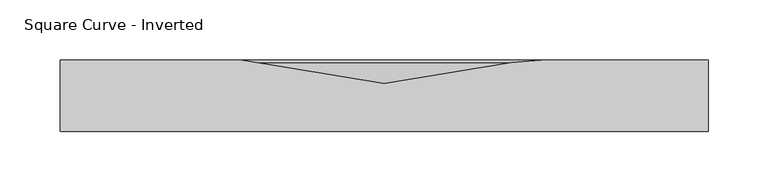
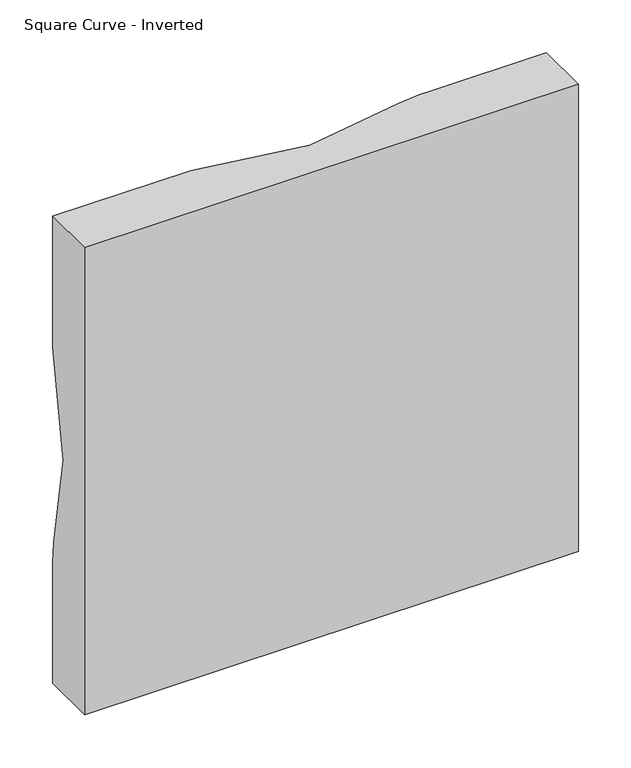
"""IFC4 building model written with IfcOpenShell, lengths in millimetres: furniture geometry, Square Curve - Inverted."""

from ifc_helpers import new_model, si_unit, point, frame, origin, place, context, project, spatial, polyline, circle_curve, ellipse_curve, trimmed, source, transform, mapped, element, save
from ifc_brep_helpers import plane_surface, cylinder_surface, revolved_surface, advanced_brep


def square_curve_inverted_e3bcd44c(model_context):
    return source(origin(), model_context, "Body", "AdvancedBrep", [
        advanced_brep(
        [(-270.0, 60.0, 1500.0), (-270.0, 60.0, 1625.0), (-270.0, 60.0, 1638.9124051), (-225.0, 60.0, 1638.9124051), (131.0875949, 60.0, 1995.0), (131.0875949, 60.0, 2040.0), (145.0, 60.0, 2040.0), (270.0, 60.0, 2040.0), (270.0, 60.0, 1500.0), (-118.5203808, 60.0, 2040.0), (-118.5203808, 60.0, 1995.0), (-225.0, 60.0, 1888.5203808), (-270.0, 60.0, 1888.5203808), (-270.0, 60.0, 2040.0), (270.0, 0.0, 2040.0), (-270.0, 0.0, 2040.0), (-270.0, 0.0, 1500.0), (270.0, 0.0, 1500.0), (106.1283636, 57.90888, 2040.0), (0.0, 40.0, 2040.0), (-270.0, 40.0, 1770.0), (-270.0, 57.90888, 1663.8716364), (106.1283636, 57.90888, 1995.0), (0.0, 40.0, 1995.0), (-225.0, 57.90888, 1663.8716364), (-225.0, 40.0, 1770.0)],
        [
            (0, 1),
            (1, 2),
            (2, 3),
            (3, 4, circle_curve(frame((-225.0, 60.0, 1995.0), z_axis=(0.0, -1.0, 0.0), x_axis=(1.0, 0.0, 0.0)), 356.0875949)),
            (4, 5),
            (5, 6),
            (6, 7),
            (7, 8),
            (8, 0),
            (9, 10),
            (10, 11, circle_curve(frame((-225.0, 60.0, 1995.0), z_axis=(0.0, 1.0, 0.0), x_axis=(1.0, 0.0, 0.0)), 106.4796192)),
            (11, 12),
            (12, 13),
            (13, 9),
            (14, 15),
            (15, 16),
            (16, 17),
            (17, 14),
            (14, 7),
            (5, 18, circle_curve(frame((131.0875949, -90.0, 2040.0), z_axis=(0.0, 0.0, 1.0), x_axis=(0.0, 1.0, 0.0)), 150.0)),
            (18, 19),
            (19, 9),
            (13, 15),
            (12, 20),
            (20, 21),
            (21, 2, circle_curve(frame((-270.0, -90.0, 1638.9124051), z_axis=(-1.0, 0.0, 0.0), x_axis=(0.0, 1.0, 0.0)), 150.0)),
            (0, 16),
            (8, 17),
            (18, 22),
            (22, 23),
            (23, 19),
            (23, 10),
            (22, 24, circle_curve(frame((-225.0, 57.90888, 1995.0), z_axis=(0.0, 1.0, 0.0), x_axis=(1.0, 0.0, 0.0)), 331.1283636)),
            (24, 25),
            (25, 23, circle_curve(frame((-225.0, 40.0, 1995.0), z_axis=(0.0, -1.0, 0.0), x_axis=(1.0, 0.0, 0.0)), 225.0)),
            (25, 11),
            (24, 21),
            (20, 25),
            (4, 22, circle_curve(frame((131.0875949, -90.0, 1995.0), z_axis=(0.0, 0.0, 1.0), x_axis=(0.0, 1.0, 0.0)), 150.0)),
            (3, 24, circle_curve(frame((-225.0, -90.0, 1638.9124051), z_axis=(1.0, 0.0, 0.0), x_axis=(0.0, 1.0, 0.0)), 150.0)),
        ],
        [
            plane_surface(frame((-270.0, 60.0, 2040.0), z_axis=(0.0, 1.0, 0.0), x_axis=(-1.0, 0.0, 0.0))),
            plane_surface(frame((-270.0, 0.0, 2040.0), z_axis=(0.0, -1.0, 0.0), x_axis=(1.0, 0.0, 0.0))),
            plane_surface(frame((270.0, 60.0, 2040.0), z_axis=(0.0, 0.0, 1.0), x_axis=(0.0, -1.0, 0.0))),
            plane_surface(frame((-270.0, 60.0, 2040.0), z_axis=(-1.0, 0.0, 0.0), x_axis=(0.0, -1.0, 0.0))),
            plane_surface(frame((-270.0, 60.0, 1500.0), z_axis=(0.0, 0.0, -1.0), x_axis=(0.0, -1.0, 0.0))),
            plane_surface(frame((270.0, 60.0, 1500.0), z_axis=(1.0, 0.0, 0.0), x_axis=(0.0, -1.0, 0.0))),
            plane_surface(frame((106.1283636, 57.90888, 2040.0), z_axis=(-0.16639487545081413, 0.9860591997561343, 0.0), x_axis=(0.0, 0.0, -1.0))),
            plane_surface(frame((0.0, 40.0, 2040.0), z_axis=(0.1663948754507782, 0.9860591997561404, 0.0), x_axis=(0.0, 0.0, -1.0))),
            revolved_surface(polyline([(0.0, 40.0, 1995.0), (106.1283636, 57.90888, 1995.0)]), (-225.0, 60.0, 1995.0), (0.0, -1.0, 0.0)),
            revolved_surface(polyline([(-120.0, 60.2496818, 1995.0), (0.0, 40.0, 1995.0)]), (-225.0, 60.0, 1995.0), (0.0, -1.0, 0.0)),
            plane_surface(frame((-225.0, 57.90888, 1663.8716364), z_axis=(0.0, 0.9860591997561339, 0.16639487545081733), x_axis=(-1.0, 0.0, 0.0))),
            plane_surface(frame((-225.0, 40.0, 1770.0), z_axis=(0.0, 0.986059199756141, -0.16639487545077503), x_axis=(-1.0, 0.0, 0.0))),
            cylinder_surface(frame((131.0875949, -90.0, 2040.0), z_axis=(0.0, 0.0, -1.0), x_axis=(0.0, 1.0, 0.0)), 150.0),
            revolved_surface(trimmed(ellipse_curve(frame((131.0875949, -90.0, 1995.0), z_axis=(0.0, 0.0, -1.0), x_axis=(0.0, 1.0, 0.0)), 150.0, 150.0), [point((106.1283636, 57.90888, 1995.0))], [point((131.0875949, 60.0, 1995.0))], True, "CARTESIAN"), (-225.0, 60.0, 1995.0), (0.0, -1.0, 0.0)),
            cylinder_surface(frame((-225.0, -90.0, 1638.9124051), z_axis=(-1.0, 0.0, 0.0), x_axis=(0.0, 1.0, 0.0)), 150.0),
        ],
        [
            (0, [[1, 2, 3, 4, 5, 6, 7, 8, 9]]),
            (0, [[10, 11, 12, 13, 14]]),
            (1, [[15, 16, 17, 18]]),
            (2, [[19, -7, -6, 20, 21, 22, -14, 23, -15]]),
            (3, [[-23, -13, 24, 25, 26, -2, -1, 27, -16]]),
            (4, [[28, -17, -27, -9]]),
            (5, [[-19, -18, -28, -8]]),
            (6, [[-21, 29, 30, 31]]),
            (7, [[32, -10, -22, -31]]),
            (8, [[33, 34, 35, -30]]),
            (9, [[36, -11, -32, -35]]),
            (10, [[37, -25, 38, -34]]),
            (11, [[-24, -12, -36, -38]]),
            (12, [[-20, -5, 39, -29]]),
            (13, [[-39, -4, 40, -33]]),
            (14, [[-40, -3, -26, -37]]),
        ],
    ),
    ])


if __name__ == "__main__":
    model = new_model("IFC4")
    model_context = context("Model", 3, world=origin())
    ifc_project = project(units=[si_unit("LENGTHUNIT", "METRE", prefix="MILLI")], contexts=[model_context])
    site = spatial("IfcSite", under=ifc_project)
    building = spatial("IfcBuilding", under=site)
    placement = place(None, origin())
    square_curve_inverted_shape = square_curve_inverted_e3bcd44c(model_context)
    element("IfcFurniture", 1, ObjectType="Square Curve - Inverted", at=placement, inside=building, context=model_context, shape_type="MappedRepresentation", body=[
        mapped(square_curve_inverted_shape, transform((0.0, 0.0, 0.0), x_axis=(1.0, 0.0, 0.0), y_axis=(0.0, 1.0, 0.0), z_axis=(0.0, 0.0, 1.0))),
    ])
    save(model, "model.ifc")
